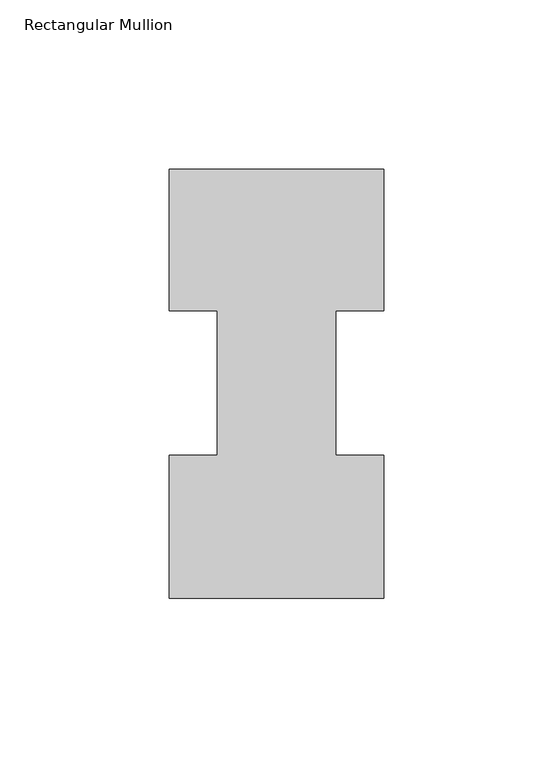
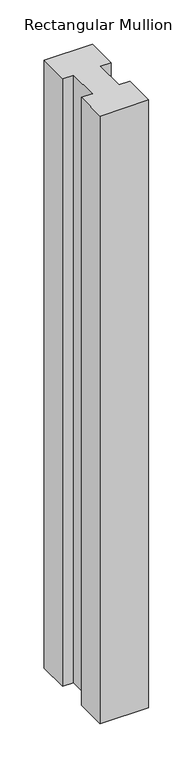
"""IFC4 building model written with IfcOpenShell, lengths in millimetres: member geometry, Rectangular Mullion."""

from ifc_helpers import new_model, si_unit, frame, origin, place, context, project, spatial, polyline, outline, extrude, source, transform, mapped, element, save


def rectangular_mullion_d75d06e4(model_context):
    return source(origin(), model_context, "Body", "SweptSolid", [
        extrude(outline(polyline([(-31.75, 126.9888875), (31.75, 126.9888875), (31.75, 85.1296875), (17.5062018, 85.1296875), (17.5062018, 42.2798875), (31.75, 42.2798875), (31.75, -0.0111125), (-31.75, -0.0111125), (-31.75, 42.2798875), (-17.4771974, 42.2798875), (-17.4771974, 85.1296875), (-31.75, 85.1296875), (-31.75, 126.9888875)])), frame((0.0, 0.0, -839.7738413), z_axis=(0.0, 0.0, 1.0), x_axis=(1.0, 0.0, 0.0)), (0.0, 0.0, 1.0), 839.7738413),
    ])


if __name__ == "__main__":
    model = new_model("IFC4")
    model_context = context("Model", 3, world=origin())
    ifc_project = project(units=[si_unit("LENGTHUNIT", "METRE", prefix="MILLI")], contexts=[model_context])
    site = spatial("IfcSite", under=ifc_project)
    building = spatial("IfcBuilding", under=site)
    placement = place(None, origin())
    rectangular_mullion_shape = rectangular_mullion_d75d06e4(model_context)
    element("IfcMember", 1, ObjectType="Rectangular Mullion", at=placement, inside=building, context=model_context, shape_type="MappedRepresentation", body=[
        mapped(rectangular_mullion_shape, transform((0.0, 0.0, 0.0), x_axis=(1.0, 0.0, 0.0), y_axis=(0.0, 1.0, 0.0), z_axis=(0.0, 0.0, 1.0))),
    ])
    save(model, "model.ifc")
